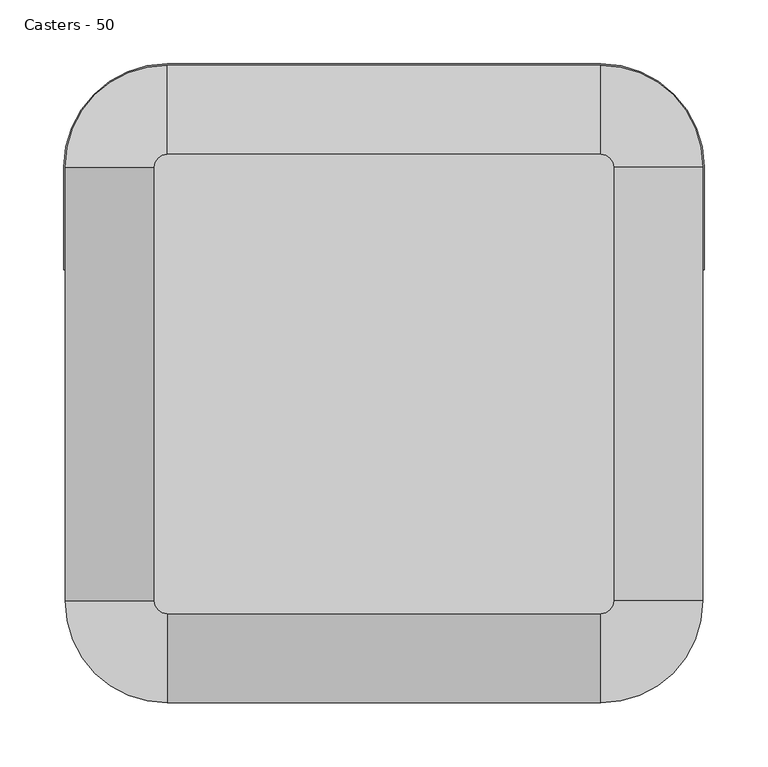
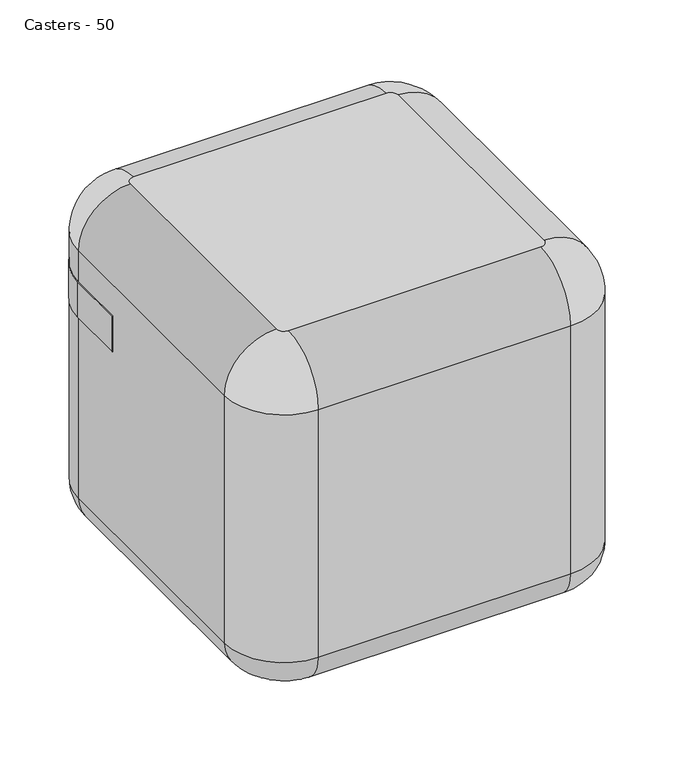
"""IFC4 building model written with IfcOpenShell, lengths in millimetres: furniture geometry, Casters - 50."""

from ifc_helpers import new_model, si_unit, point, frame, frame_2d, origin, place, context, project, spatial, polyline, circle_curve, ellipse_curve, trimmed, segment, composite_curve, outline, extrude, source, transform, mapped, element, save
from ifc_brep_helpers import plane_surface, cylinder_surface, revolved_surface, advanced_brep


def casters_50_73551831(model_context):
    return source(origin(), model_context, "Body", "SolidModel", [
        extrude(outline(composite_curve([segment(polyline([(0.0, -80.0), (0.0, -160.0)]), True, "CONTINUOUS"), segment(trimmed(circle_curve(frame_2d((-0.5, -160.0)), 0.5), [point((0.0, -160.0))], [point((-1.0, -160.0))], False, "CARTESIAN"), True, "CONTINUOUS"), segment(polyline([(-1.0, -160.0), (-1.0, -80.0)]), True, "CONTINUOUS"), segment(trimmed(circle_curve(frame_2d((80.0, -80.0)), 81.0), [point((-1.0, -80.0))], [point((80.0, 1.0))], False, "CARTESIAN"), True, "CONTINUOUS"), segment(polyline([(80.0, 1.0), (420.0, 1.0)]), True, "CONTINUOUS"), segment(trimmed(circle_curve(frame_2d((420.0, -80.0)), 81.0), [point((420.0, 1.0))], [point((501.0, -80.0))], False, "CARTESIAN"), True, "CONTINUOUS"), segment(polyline([(501.0, -80.0), (501.0, -160.0)]), True, "CONTINUOUS"), segment(trimmed(circle_curve(frame_2d((500.5, -160.0)), 0.5), [point((501.0, -160.0))], [point((500.0, -160.0))], False, "CARTESIAN"), True, "CONTINUOUS"), segment(polyline([(500.0, -160.0), (500.0, -80.0)]), True, "CONTINUOUS"), segment(trimmed(circle_curve(frame_2d((420.0, -80.0)), 80.0), [point((500.0, -80.0))], [point((420.0, 0.0))], True, "CARTESIAN"), True, "CONTINUOUS"), segment(polyline([(420.0, 0.0), (80.0, 0.0)]), True, "CONTINUOUS"), segment(trimmed(circle_curve(frame_2d((80.0, -80.0)), 80.0), [point((80.0, 0.0))], [point((0.0, -80.0))], True, "CARTESIAN"), True, "CONTINUOUS")], self_intersect=False)), frame((0.0, 0.0, 325.0), z_axis=(0.0, 0.0, 1.0), x_axis=(1.0, 0.0, 0.0)), (0.0, 0.0, 1.0), 50.0),
        advanced_brep(
        [(119.5, -401.0, 18.0), (136.5, -401.0, 18.0), (136.5, -390.0, 18.0), (137.5, -390.0, 18.0), (137.5, -406.0, 18.0), (150.5, -406.0, 18.0), (152.5, -404.0, 18.0), (152.5, -401.0, 18.0), (153.8533249, -396.0, 18.0), (153.8533249, -388.0, 18.0), (102.1466751, -388.0, 18.0), (102.1466751, -396.0, 18.0), (103.5, -401.0, 18.0), (103.5, -404.0, 18.0), (105.5, -406.0, 18.0), (118.5, -406.0, 18.0), (118.5, -390.0, 18.0), (119.5, -390.0, 18.0), (119.5, -375.0, 18.0), (119.5, -386.0, 18.0), (118.5, -386.0, 18.0), (118.5, -370.0, 18.0), (105.5, -370.0, 18.0), (103.5, -372.0, 18.0), (103.5, -375.0, 18.0), (102.1466751, -380.0, 18.0), (153.8533249, -380.0, 18.0), (152.5, -375.0, 18.0), (152.5, -372.0, 18.0), (150.5, -370.0, 18.0), (137.5, -370.0, 18.0), (137.5, -386.0, 18.0), (136.5, -386.0, 18.0), (136.5, -375.0, 18.0)],
        [
            (0, 1),
            (1, 2),
            (2, 3),
            (3, 4),
            (4, 5),
            (5, 6, circle_curve(frame((150.5, -404.0, 18.0), z_axis=(0.0, 0.0, 1.0), x_axis=(-1.0, 0.0, 0.0)), 2.0)),
            (6, 7),
            (7, 8),
            (8, 9),
            (9, 10),
            (10, 11),
            (11, 12),
            (12, 13),
            (13, 14, circle_curve(frame((105.5, -404.0, 18.0), z_axis=(0.0, 0.0, 1.0), x_axis=(-1.0, 0.0, 0.0)), 2.0)),
            (14, 15),
            (15, 16),
            (16, 17),
            (17, 0),
            (18, 19),
            (19, 20),
            (20, 21),
            (21, 22),
            (22, 23, circle_curve(frame((105.5, -372.0, 18.0), z_axis=(0.0, 0.0, 1.0), x_axis=(-1.0, 0.0, 0.0)), 2.0)),
            (23, 24),
            (24, 25),
            (25, 10),
            (9, 26),
            (26, 27),
            (27, 28),
            (28, 29, circle_curve(frame((150.5, -372.0, 18.0), z_axis=(0.0, 0.0, 1.0), x_axis=(-1.0, 0.0, 0.0)), 2.0)),
            (29, 30),
            (30, 31),
            (31, 32),
            (32, 33),
            (33, 18),
            (18, 0, circle_curve(frame((119.5, -388.0, 18.0), z_axis=(-1.0, 0.0, 0.0), x_axis=(0.0, -1.0, 0.0)), 13.0)),
            (17, 19, circle_curve(frame((119.5, -388.0, 18.0), z_axis=(1.0, 0.0, 0.0), x_axis=(0.0, -1.0, 0.0)), 2.0)),
            (16, 20, circle_curve(frame((118.5, -388.0, 18.0), z_axis=(1.0, 0.0, 0.0), x_axis=(0.0, -1.0, 0.0)), 2.0)),
            (15, 21, circle_curve(frame((118.5, -388.0, 18.0), z_axis=(1.0, 0.0, 0.0), x_axis=(0.0, -1.0, 0.0)), 18.0)),
            (14, 22, circle_curve(frame((105.5, -388.0, 18.0), z_axis=(1.0, 0.0, 0.0), x_axis=(0.0, -1.0, 0.0)), 18.0)),
            (13, 23, circle_curve(frame((103.5, -388.0, 18.0), z_axis=(1.0, 0.0, 0.0), x_axis=(0.0, -1.0, 0.0)), 16.0)),
            (12, 24, circle_curve(frame((103.5, -388.0, 18.0), z_axis=(1.0, 0.0, 0.0), x_axis=(0.0, -1.0, 0.0)), 13.0)),
            (11, 25, circle_curve(frame((102.1466751, -388.0, 18.0), z_axis=(1.0, 0.0, 0.0), x_axis=(0.0, -1.0, 0.0)), 8.0)),
            (8, 26, circle_curve(frame((153.8533249, -388.0, 18.0), z_axis=(1.0, 0.0, 0.0), x_axis=(0.0, -1.0, 0.0)), 8.0)),
            (7, 27, circle_curve(frame((152.5, -388.0, 18.0), z_axis=(1.0, 0.0, 0.0), x_axis=(0.0, -1.0, 0.0)), 13.0)),
            (6, 28, circle_curve(frame((152.5, -388.0, 18.0), z_axis=(1.0, 0.0, 0.0), x_axis=(0.0, -1.0, 0.0)), 16.0)),
            (5, 29, circle_curve(frame((150.5, -388.0, 18.0), z_axis=(1.0, 0.0, 0.0), x_axis=(0.0, -1.0, 0.0)), 18.0)),
            (4, 30, circle_curve(frame((137.5, -388.0, 18.0), z_axis=(1.0, 0.0, 0.0), x_axis=(0.0, -1.0, 0.0)), 18.0)),
            (3, 31, circle_curve(frame((137.5, -388.0, 18.0), z_axis=(1.0, 0.0, 0.0), x_axis=(0.0, -1.0, 0.0)), 2.0)),
            (2, 32, circle_curve(frame((136.5, -388.0, 18.0), z_axis=(1.0, 0.0, 0.0), x_axis=(0.0, -1.0, 0.0)), 2.0)),
            (1, 33, circle_curve(frame((136.5, -388.0, 18.0), z_axis=(1.0, 0.0, 0.0), x_axis=(0.0, -1.0, 0.0)), 13.0)),
        ],
        [
            plane_surface(frame((102.1466751, -388.0, 18.0), z_axis=(0.0, 0.0, 1.0), x_axis=(0.0, -1.0, 0.0))),
            plane_surface(frame((102.1466751, -388.0, 18.0), z_axis=(0.0, 0.0, 1.0), x_axis=(0.0, 1.0, 0.0))),
            plane_surface(frame((119.5, -388.0, 18.0), z_axis=(-1.0, 0.0, 0.0), x_axis=(0.0, -1.0, 0.0))),
            cylinder_surface(frame((102.1466751, -388.0, 18.0), z_axis=(-1.0, 0.0, 0.0), x_axis=(0.0, -1.0, 0.0)), 2.0),
            plane_surface(frame((118.5, -388.0, 18.0), z_axis=(1.0, 0.0, 0.0), x_axis=(0.0, -1.0, 0.0))),
            cylinder_surface(frame((102.1466751, -388.0, 18.0), z_axis=(-1.0, 0.0, 0.0), x_axis=(0.0, -1.0, 0.0)), 18.0),
            revolved_surface(trimmed(ellipse_curve(frame((105.5, -404.0, 18.0), z_axis=(0.0, 0.0, -1.0), x_axis=(-1.0, 0.0, 0.0)), 2.0, 2.0), [point((105.5, -406.0, 18.0))], [point((103.5, -404.0, 18.0))], True, "CARTESIAN"), (102.1466751, -388.0, 18.0), (-1.0, 0.0, 0.0)),
            plane_surface(frame((103.5, -388.0, 18.0), z_axis=(-1.0, 0.0, 0.0), x_axis=(0.0, -1.0, 0.0))),
            revolved_surface(polyline([(103.5, -401.0, 18.0), (102.1466751, -396.0, 18.0)]), (102.1466751, -388.0, 18.0), (-1.0, 0.0, 0.0)),
            plane_surface(frame((102.1466751, -388.0, 18.0), z_axis=(-1.0, 0.0, 0.0), x_axis=(0.0, -1.0, 0.0))),
            plane_surface(frame((153.8533249, -388.0, 18.0), z_axis=(1.0, 0.0, 0.0), x_axis=(0.0, -1.0, 0.0))),
            revolved_surface(polyline([(153.8533249, -396.0, 18.0), (152.5, -401.0, 18.0)]), (102.1466751, -388.0, 18.0), (-1.0, 0.0, 0.0)),
            plane_surface(frame((152.5, -388.0, 18.0), z_axis=(1.0, 0.0, 0.0), x_axis=(0.0, -1.0, 0.0))),
            revolved_surface(trimmed(ellipse_curve(frame((150.5, -404.0, 18.0), z_axis=(0.0, 0.0, -1.0), x_axis=(-1.0, 0.0, 0.0)), 2.0, 2.0), [point((152.5, -404.0, 18.0))], [point((150.5, -406.0, 18.0))], True, "CARTESIAN"), (102.1466751, -388.0, 18.0), (-1.0, 0.0, 0.0)),
            plane_surface(frame((137.5, -388.0, 18.0), z_axis=(-1.0, 0.0, 0.0), x_axis=(0.0, -1.0, 0.0))),
            plane_surface(frame((136.5, -388.0, 18.0), z_axis=(1.0, 0.0, 0.0), x_axis=(0.0, -1.0, 0.0))),
            cylinder_surface(frame((102.1466751, -388.0, 18.0), z_axis=(-1.0, 0.0, 0.0), x_axis=(0.0, -1.0, 0.0)), 13.0),
        ],
        [
            (0, [[1, 2, 3, 4, 5, 6, 7, 8, 9, 10, 11, 12, 13, 14, 15, 16, 17, 18]]),
            (1, [[19, 20, 21, 22, 23, 24, 25, 26, -10, 27, 28, 29, 30, 31, 32, 33, 34, 35]]),
            (2, [[-19, 36, -18, 37]]),
            (3, [[-20, -37, -17, 38]]),
            (4, [[-21, -38, -16, 39]]),
            (5, [[-22, -39, -15, 40]]),
            (6, [[-23, -40, -14, 41]]),
            (7, [[-24, -41, -13, 42]]),
            (8, [[-25, -42, -12, 43]]),
            (9, [[-26, -43, -11]]),
            (10, [[-27, -9, 44]]),
            (11, [[-28, -44, -8, 45]]),
            (12, [[-29, -45, -7, 46]]),
            (13, [[-30, -46, -6, 47]]),
            (5, [[-31, -47, -5, 48]]),
            (14, [[-32, -48, -4, 49]]),
            (3, [[-33, -49, -3, 50]]),
            (15, [[-34, -50, -2, 51]]),
            (16, [[-35, -51, -1, -36]]),
        ],
    ),
        advanced_brep(
        [(363.5, -401.0, 18.0), (380.5, -401.0, 18.0), (380.5, -390.0, 18.0), (381.5, -390.0, 18.0), (381.5, -406.0, 18.0), (394.5, -406.0, 18.0), (396.5, -404.0, 18.0), (396.5, -401.0, 18.0), (397.8533249, -396.0, 18.0), (397.8533249, -388.0, 18.0), (346.1466751, -388.0, 18.0), (346.1466751, -396.0, 18.0), (347.5, -401.0, 18.0), (347.5, -404.0, 18.0), (349.5, -406.0, 18.0), (362.5, -406.0, 18.0), (362.5, -390.0, 18.0), (363.5, -390.0, 18.0), (363.5, -375.0, 18.0), (363.5, -386.0, 18.0), (362.5, -386.0, 18.0), (362.5, -370.0, 18.0), (349.5, -370.0, 18.0), (347.5, -372.0, 18.0), (347.5, -375.0, 18.0), (346.1466751, -380.0, 18.0), (397.8533249, -380.0, 18.0), (396.5, -375.0, 18.0), (396.5, -372.0, 18.0), (394.5, -370.0, 18.0), (381.5, -370.0, 18.0), (381.5, -386.0, 18.0), (380.5, -386.0, 18.0), (380.5, -375.0, 18.0)],
        [
            (0, 1),
            (1, 2),
            (2, 3),
            (3, 4),
            (4, 5),
            (5, 6, circle_curve(frame((394.5, -404.0, 18.0), z_axis=(0.0, 0.0, 1.0), x_axis=(-1.0, 0.0, 0.0)), 2.0)),
            (6, 7),
            (7, 8),
            (8, 9),
            (9, 10),
            (10, 11),
            (11, 12),
            (12, 13),
            (13, 14, circle_curve(frame((349.5, -404.0, 18.0), z_axis=(0.0, 0.0, 1.0), x_axis=(-1.0, 0.0, 0.0)), 2.0)),
            (14, 15),
            (15, 16),
            (16, 17),
            (17, 0),
            (18, 19),
            (19, 20),
            (20, 21),
            (21, 22),
            (22, 23, circle_curve(frame((349.5, -372.0, 18.0), z_axis=(0.0, 0.0, 1.0), x_axis=(-1.0, 0.0, 0.0)), 2.0)),
            (23, 24),
            (24, 25),
            (25, 10),
            (9, 26),
            (26, 27),
            (27, 28),
            (28, 29, circle_curve(frame((394.5, -372.0, 18.0), z_axis=(0.0, 0.0, 1.0), x_axis=(-1.0, 0.0, 0.0)), 2.0)),
            (29, 30),
            (30, 31),
            (31, 32),
            (32, 33),
            (33, 18),
            (18, 0, circle_curve(frame((363.5, -388.0, 18.0), z_axis=(-1.0, 0.0, 0.0), x_axis=(0.0, -1.0, 0.0)), 13.0)),
            (17, 19, circle_curve(frame((363.5, -388.0, 18.0), z_axis=(1.0, 0.0, 0.0), x_axis=(0.0, -1.0, 0.0)), 2.0)),
            (16, 20, circle_curve(frame((362.5, -388.0, 18.0), z_axis=(1.0, 0.0, 0.0), x_axis=(0.0, -1.0, 0.0)), 2.0)),
            (15, 21, circle_curve(frame((362.5, -388.0, 18.0), z_axis=(1.0, 0.0, 0.0), x_axis=(0.0, -1.0, 0.0)), 18.0)),
            (14, 22, circle_curve(frame((349.5, -388.0, 18.0), z_axis=(1.0, 0.0, 0.0), x_axis=(0.0, -1.0, 0.0)), 18.0)),
            (13, 23, circle_curve(frame((347.5, -388.0, 18.0), z_axis=(1.0, 0.0, 0.0), x_axis=(0.0, -1.0, 0.0)), 16.0)),
            (12, 24, circle_curve(frame((347.5, -388.0, 18.0), z_axis=(1.0, 0.0, 0.0), x_axis=(0.0, -1.0, 0.0)), 13.0)),
            (11, 25, circle_curve(frame((346.1466751, -388.0, 18.0), z_axis=(1.0, 0.0, 0.0), x_axis=(0.0, -1.0, 0.0)), 8.0)),
            (8, 26, circle_curve(frame((397.8533249, -388.0, 18.0), z_axis=(1.0, 0.0, 0.0), x_axis=(0.0, -1.0, 0.0)), 8.0)),
            (7, 27, circle_curve(frame((396.5, -388.0, 18.0), z_axis=(1.0, 0.0, 0.0), x_axis=(0.0, -1.0, 0.0)), 13.0)),
            (6, 28, circle_curve(frame((396.5, -388.0, 18.0), z_axis=(1.0, 0.0, 0.0), x_axis=(0.0, -1.0, 0.0)), 16.0)),
            (5, 29, circle_curve(frame((394.5, -388.0, 18.0), z_axis=(1.0, 0.0, 0.0), x_axis=(0.0, -1.0, 0.0)), 18.0)),
            (4, 30, circle_curve(frame((381.5, -388.0, 18.0), z_axis=(1.0, 0.0, 0.0), x_axis=(0.0, -1.0, 0.0)), 18.0)),
            (3, 31, circle_curve(frame((381.5, -388.0, 18.0), z_axis=(1.0, 0.0, 0.0), x_axis=(0.0, -1.0, 0.0)), 2.0)),
            (2, 32, circle_curve(frame((380.5, -388.0, 18.0), z_axis=(1.0, 0.0, 0.0), x_axis=(0.0, -1.0, 0.0)), 2.0)),
            (1, 33, circle_curve(frame((380.5, -388.0, 18.0), z_axis=(1.0, 0.0, 0.0), x_axis=(0.0, -1.0, 0.0)), 13.0)),
        ],
        [
            plane_surface(frame((102.1466751, -388.0, 18.0), z_axis=(0.0, 0.0, 1.0), x_axis=(0.0, -1.0, 0.0))),
            plane_surface(frame((102.1466751, -388.0, 18.0), z_axis=(0.0, 0.0, 1.0), x_axis=(0.0, 1.0, 0.0))),
            plane_surface(frame((363.5, -388.0, 18.0), z_axis=(-1.0, 0.0, 0.0), x_axis=(0.0, -1.0, 0.0))),
            cylinder_surface(frame((102.1466751, -388.0, 18.0), z_axis=(-1.0, 0.0, 0.0), x_axis=(0.0, -1.0, 0.0)), 2.0),
            plane_surface(frame((362.5, -388.0, 18.0), z_axis=(1.0, 0.0, 0.0), x_axis=(0.0, -1.0, 0.0))),
            cylinder_surface(frame((102.1466751, -388.0, 18.0), z_axis=(-1.0, 0.0, 0.0), x_axis=(0.0, -1.0, 0.0)), 18.0),
            revolved_surface(trimmed(ellipse_curve(frame((349.5, -404.0, 18.0), z_axis=(0.0, 0.0, -1.0), x_axis=(-1.0, 0.0, 0.0)), 2.0, 2.0), [point((349.5, -406.0, 18.0))], [point((347.5, -404.0, 18.0))], True, "CARTESIAN"), (102.1466751, -388.0, 18.0), (-1.0, 0.0, 0.0)),
            plane_surface(frame((347.5, -388.0, 18.0), z_axis=(-1.0, 0.0, 0.0), x_axis=(0.0, -1.0, 0.0))),
            revolved_surface(polyline([(347.5, -401.0, 18.0), (346.1466751, -396.0, 18.0)]), (102.1466751, -388.0, 18.0), (-1.0, 0.0, 0.0)),
            plane_surface(frame((346.1466751, -388.0, 18.0), z_axis=(-1.0, 0.0, 0.0), x_axis=(0.0, -1.0, 0.0))),
            plane_surface(frame((397.8533249, -388.0, 18.0), z_axis=(1.0, 0.0, 0.0), x_axis=(0.0, -1.0, 0.0))),
            revolved_surface(polyline([(397.8533249, -396.0, 18.0), (396.5, -401.0, 18.0)]), (102.1466751, -388.0, 18.0), (-1.0, 0.0, 0.0)),
            plane_surface(frame((396.5, -388.0, 18.0), z_axis=(1.0, 0.0, 0.0), x_axis=(0.0, -1.0, 0.0))),
            revolved_surface(trimmed(ellipse_curve(frame((394.5, -404.0, 18.0), z_axis=(0.0, 0.0, -1.0), x_axis=(-1.0, 0.0, 0.0)), 2.0, 2.0), [point((396.5, -404.0, 18.0))], [point((394.5, -406.0, 18.0))], True, "CARTESIAN"), (102.1466751, -388.0, 18.0), (-1.0, 0.0, 0.0)),
            plane_surface(frame((381.5, -388.0, 18.0), z_axis=(-1.0, 0.0, 0.0), x_axis=(0.0, -1.0, 0.0))),
            plane_surface(frame((380.5, -388.0, 18.0), z_axis=(1.0, 0.0, 0.0), x_axis=(0.0, -1.0, 0.0))),
            cylinder_surface(frame((102.1466751, -388.0, 18.0), z_axis=(-1.0, 0.0, 0.0), x_axis=(0.0, -1.0, 0.0)), 13.0),
        ],
        [
            (0, [[1, 2, 3, 4, 5, 6, 7, 8, 9, 10, 11, 12, 13, 14, 15, 16, 17, 18]]),
            (1, [[19, 20, 21, 22, 23, 24, 25, 26, -10, 27, 28, 29, 30, 31, 32, 33, 34, 35]]),
            (2, [[-19, 36, -18, 37]]),
            (3, [[-20, -37, -17, 38]]),
            (4, [[-21, -38, -16, 39]]),
            (5, [[-22, -39, -15, 40]]),
            (6, [[-23, -40, -14, 41]]),
            (7, [[-24, -41, -13, 42]]),
            (8, [[-25, -42, -12, 43]]),
            (9, [[-26, -43, -11]]),
            (10, [[-27, -9, 44]]),
            (11, [[-28, -44, -8, 45]]),
            (12, [[-29, -45, -7, 46]]),
            (13, [[-30, -46, -6, 47]]),
            (5, [[-31, -47, -5, 48]]),
            (14, [[-32, -48, -4, 49]]),
            (3, [[-33, -49, -3, 50]]),
            (15, [[-34, -50, -2, 51]]),
            (16, [[-35, -51, -1, -36]]),
        ],
    ),
        advanced_brep(
        [(119.5, -99.0, 18.0), (119.5, -110.0, 18.0), (118.5, -110.0, 18.0), (118.5, -94.0, 18.0), (105.5, -94.0, 18.0), (103.5, -96.0, 18.0), (103.5, -99.0, 18.0), (102.1466751, -104.0, 18.0), (102.1466751, -112.0, 18.0), (153.8533249, -112.0, 18.0), (153.8533249, -104.0, 18.0), (152.5, -99.0, 18.0), (152.5, -96.0, 18.0), (150.5, -94.0, 18.0), (137.5, -94.0, 18.0), (137.5, -110.0, 18.0), (136.5, -110.0, 18.0), (136.5, -99.0, 18.0), (119.5, -125.0, 18.0), (136.5, -125.0, 18.0), (136.5, -114.0, 18.0), (137.5, -114.0, 18.0), (137.5, -130.0, 18.0), (150.5, -130.0, 18.0), (152.5, -128.0, 18.0), (152.5, -125.0, 18.0), (153.8533249, -120.0, 18.0), (102.1466751, -120.0, 18.0), (103.5, -125.0, 18.0), (103.5, -128.0, 18.0), (105.5, -130.0, 18.0), (118.5, -130.0, 18.0), (118.5, -114.0, 18.0), (119.5, -114.0, 18.0)],
        [
            (0, 1),
            (1, 2),
            (2, 3),
            (3, 4),
            (4, 5, circle_curve(frame((105.5, -96.0, 18.0), z_axis=(0.0, 0.0, 1.0), x_axis=(-1.0, 0.0, 0.0)), 2.0)),
            (5, 6),
            (6, 7),
            (7, 8),
            (8, 9),
            (9, 10),
            (10, 11),
            (11, 12),
            (12, 13, circle_curve(frame((150.5, -96.0, 18.0), z_axis=(0.0, 0.0, 1.0), x_axis=(-1.0, 0.0, 0.0)), 2.0)),
            (13, 14),
            (14, 15),
            (15, 16),
            (16, 17),
            (17, 0),
            (18, 19),
            (19, 20),
            (20, 21),
            (21, 22),
            (22, 23),
            (23, 24, circle_curve(frame((150.5, -128.0, 18.0), z_axis=(0.0, 0.0, 1.0), x_axis=(-1.0, 0.0, 0.0)), 2.0)),
            (24, 25),
            (25, 26),
            (26, 9),
            (8, 27),
            (27, 28),
            (28, 29),
            (29, 30, circle_curve(frame((105.5, -128.0, 18.0), z_axis=(0.0, 0.0, 1.0), x_axis=(-1.0, 0.0, 0.0)), 2.0)),
            (30, 31),
            (31, 32),
            (32, 33),
            (33, 18),
            (33, 1, circle_curve(frame((119.5, -112.0, 18.0), z_axis=(1.0, 0.0, 0.0), x_axis=(0.0, 1.0, 0.0)), 2.0)),
            (0, 18, circle_curve(frame((119.5, -112.0, 18.0), z_axis=(-1.0, 0.0, 0.0), x_axis=(0.0, 1.0, 0.0)), 13.0)),
            (32, 2, circle_curve(frame((118.5, -112.0, 18.0), z_axis=(1.0, 0.0, 0.0), x_axis=(0.0, 1.0, 0.0)), 2.0)),
            (31, 3, circle_curve(frame((118.5, -112.0, 18.0), z_axis=(1.0, 0.0, 0.0), x_axis=(0.0, 1.0, 0.0)), 18.0)),
            (30, 4, circle_curve(frame((105.5, -112.0, 18.0), z_axis=(1.0, 0.0, 0.0), x_axis=(0.0, 1.0, 0.0)), 18.0)),
            (29, 5, circle_curve(frame((103.5, -112.0, 18.0), z_axis=(1.0, 0.0, 0.0), x_axis=(0.0, 1.0, 0.0)), 16.0)),
            (28, 6, circle_curve(frame((103.5, -112.0, 18.0), z_axis=(1.0, 0.0, 0.0), x_axis=(0.0, 1.0, 0.0)), 13.0)),
            (27, 7, circle_curve(frame((102.1466751, -112.0, 18.0), z_axis=(1.0, 0.0, 0.0), x_axis=(0.0, 1.0, 0.0)), 8.0)),
            (26, 10, circle_curve(frame((153.8533249, -112.0, 18.0), z_axis=(1.0, 0.0, 0.0), x_axis=(0.0, 1.0, 0.0)), 8.0)),
            (25, 11, circle_curve(frame((152.5, -112.0, 18.0), z_axis=(1.0, 0.0, 0.0), x_axis=(0.0, 1.0, 0.0)), 13.0)),
            (24, 12, circle_curve(frame((152.5, -112.0, 18.0), z_axis=(1.0, 0.0, 0.0), x_axis=(0.0, 1.0, 0.0)), 16.0)),
            (23, 13, circle_curve(frame((150.5, -112.0, 18.0), z_axis=(1.0, 0.0, 0.0), x_axis=(0.0, 1.0, 0.0)), 18.0)),
            (22, 14, circle_curve(frame((137.5, -112.0, 18.0), z_axis=(1.0, 0.0, 0.0), x_axis=(0.0, 1.0, 0.0)), 18.0)),
            (21, 15, circle_curve(frame((137.5, -112.0, 18.0), z_axis=(1.0, 0.0, 0.0), x_axis=(0.0, 1.0, 0.0)), 2.0)),
            (20, 16, circle_curve(frame((136.5, -112.0, 18.0), z_axis=(1.0, 0.0, 0.0), x_axis=(0.0, 1.0, 0.0)), 2.0)),
            (19, 17, circle_curve(frame((136.5, -112.0, 18.0), z_axis=(1.0, 0.0, 0.0), x_axis=(0.0, 1.0, 0.0)), 13.0)),
        ],
        [
            plane_surface(frame((102.1466751, -112.0, 18.0), z_axis=(0.0, 0.0, 1.0), x_axis=(0.0, 1.0, 0.0))),
            plane_surface(frame((102.1466751, -112.0, 18.0), z_axis=(0.0, 0.0, 1.0), x_axis=(0.0, -1.0, 0.0))),
            plane_surface(frame((119.5, -112.0, 18.0), z_axis=(-1.0, 0.0, 0.0), x_axis=(0.0, 1.0, 0.0))),
            cylinder_surface(frame((102.1466751, -112.0, 18.0), z_axis=(1.0, 0.0, 0.0), x_axis=(0.0, 1.0, 0.0)), 2.0),
            plane_surface(frame((118.5, -112.0, 18.0), z_axis=(1.0, 0.0, 0.0), x_axis=(0.0, 1.0, 0.0))),
            cylinder_surface(frame((102.1466751, -112.0, 18.0), z_axis=(1.0, 0.0, 0.0), x_axis=(0.0, 1.0, 0.0)), 18.0),
            revolved_surface(trimmed(ellipse_curve(frame((105.5, -96.0, 18.0), z_axis=(0.0, 0.0, -1.0), x_axis=(-1.0, 0.0, 0.0)), 2.0, 2.0), [point((103.5, -96.0, 18.0))], [point((105.5, -94.0, 18.0))], True, "CARTESIAN"), (102.1466751, -112.0, 18.0), (1.0, 0.0, 0.0)),
            plane_surface(frame((103.5, -112.0, 18.0), z_axis=(-1.0, 0.0, 0.0), x_axis=(0.0, 1.0, 0.0))),
            revolved_surface(polyline([(102.1466751, -104.0, 18.0), (103.5, -99.0, 18.0)]), (102.1466751, -112.0, 18.0), (1.0, 0.0, 0.0)),
            plane_surface(frame((102.1466751, -112.0, 18.0), z_axis=(-1.0, 0.0, 0.0), x_axis=(0.0, 1.0, 0.0))),
            plane_surface(frame((153.8533249, -112.0, 18.0), z_axis=(1.0, 0.0, 0.0), x_axis=(0.0, 1.0, 0.0))),
            revolved_surface(polyline([(152.5, -99.0, 18.0), (153.8533249, -104.0, 18.0)]), (102.1466751, -112.0, 18.0), (1.0, 0.0, 0.0)),
            plane_surface(frame((152.5, -112.0, 18.0), z_axis=(1.0, 0.0, 0.0), x_axis=(0.0, 1.0, 0.0))),
            revolved_surface(trimmed(ellipse_curve(frame((150.5, -96.0, 18.0), z_axis=(0.0, 0.0, -1.0), x_axis=(-1.0, 0.0, 0.0)), 2.0, 2.0), [point((150.5, -94.0, 18.0))], [point((152.5, -96.0, 18.0))], True, "CARTESIAN"), (102.1466751, -112.0, 18.0), (1.0, 0.0, 0.0)),
            plane_surface(frame((137.5, -112.0, 18.0), z_axis=(-1.0, 0.0, 0.0), x_axis=(0.0, 1.0, 0.0))),
            plane_surface(frame((136.5, -112.0, 18.0), z_axis=(1.0, 0.0, 0.0), x_axis=(0.0, 1.0, 0.0))),
            cylinder_surface(frame((102.1466751, -112.0, 18.0), z_axis=(1.0, 0.0, 0.0), x_axis=(0.0, 1.0, 0.0)), 13.0),
        ],
        [
            (0, [[1, 2, 3, 4, 5, 6, 7, 8, 9, 10, 11, 12, 13, 14, 15, 16, 17, 18]]),
            (1, [[19, 20, 21, 22, 23, 24, 25, 26, 27, -9, 28, 29, 30, 31, 32, 33, 34, 35]]),
            (2, [[-35, 36, -1, 37]]),
            (3, [[-34, 38, -2, -36]]),
            (4, [[-33, 39, -3, -38]]),
            (5, [[-32, 40, -4, -39]]),
            (6, [[-31, 41, -5, -40]]),
            (7, [[-30, 42, -6, -41]]),
            (8, [[-29, 43, -7, -42]]),
            (9, [[-28, -8, -43]]),
            (10, [[-27, 44, -10]]),
            (11, [[-26, 45, -11, -44]]),
            (12, [[-25, 46, -12, -45]]),
            (13, [[-24, 47, -13, -46]]),
            (5, [[-23, 48, -14, -47]]),
            (14, [[-22, 49, -15, -48]]),
            (3, [[-21, 50, -16, -49]]),
            (15, [[-20, 51, -17, -50]]),
            (16, [[-19, -37, -18, -51]]),
        ],
    ),
        advanced_brep(
        [(363.5, -99.0, 18.0), (363.5, -110.0, 18.0), (362.5, -110.0, 18.0), (362.5, -94.0, 18.0), (349.5, -94.0, 18.0), (347.5, -96.0, 18.0), (347.5, -99.0, 18.0), (346.1466751, -104.0, 18.0), (346.1466751, -112.0, 18.0), (397.8533249, -112.0, 18.0), (397.8533249, -104.0, 18.0), (396.5, -99.0, 18.0), (396.5, -96.0, 18.0), (394.5, -94.0, 18.0), (381.5, -94.0, 18.0), (381.5, -110.0, 18.0), (380.5, -110.0, 18.0), (380.5, -99.0, 18.0), (363.5, -125.0, 18.0), (380.5, -125.0, 18.0), (380.5, -114.0, 18.0), (381.5, -114.0, 18.0), (381.5, -130.0, 18.0), (394.5, -130.0, 18.0), (396.5, -128.0, 18.0), (396.5, -125.0, 18.0), (397.8533249, -120.0, 18.0), (346.1466751, -120.0, 18.0), (347.5, -125.0, 18.0), (347.5, -128.0, 18.0), (349.5, -130.0, 18.0), (362.5, -130.0, 18.0), (362.5, -114.0, 18.0), (363.5, -114.0, 18.0)],
        [
            (0, 1),
            (1, 2),
            (2, 3),
            (3, 4),
            (4, 5, circle_curve(frame((349.5, -96.0, 18.0), z_axis=(0.0, 0.0, 1.0), x_axis=(-1.0, 0.0, 0.0)), 2.0)),
            (5, 6),
            (6, 7),
            (7, 8),
            (8, 9),
            (9, 10),
            (10, 11),
            (11, 12),
            (12, 13, circle_curve(frame((394.5, -96.0, 18.0), z_axis=(0.0, 0.0, 1.0), x_axis=(-1.0, 0.0, 0.0)), 2.0)),
            (13, 14),
            (14, 15),
            (15, 16),
            (16, 17),
            (17, 0),
            (18, 19),
            (19, 20),
            (20, 21),
            (21, 22),
            (22, 23),
            (23, 24, circle_curve(frame((394.5, -128.0, 18.0), z_axis=(0.0, 0.0, 1.0), x_axis=(-1.0, 0.0, 0.0)), 2.0)),
            (24, 25),
            (25, 26),
            (26, 9),
            (8, 27),
            (27, 28),
            (28, 29),
            (29, 30, circle_curve(frame((349.5, -128.0, 18.0), z_axis=(0.0, 0.0, 1.0), x_axis=(-1.0, 0.0, 0.0)), 2.0)),
            (30, 31),
            (31, 32),
            (32, 33),
            (33, 18),
            (33, 1, circle_curve(frame((363.5, -112.0, 18.0), z_axis=(1.0, 0.0, 0.0), x_axis=(0.0, 1.0, 0.0)), 2.0)),
            (0, 18, circle_curve(frame((363.5, -112.0, 18.0), z_axis=(-1.0, 0.0, 0.0), x_axis=(0.0, 1.0, 0.0)), 13.0)),
            (32, 2, circle_curve(frame((362.5, -112.0, 18.0), z_axis=(1.0, 0.0, 0.0), x_axis=(0.0, 1.0, 0.0)), 2.0)),
            (31, 3, circle_curve(frame((362.5, -112.0, 18.0), z_axis=(1.0, 0.0, 0.0), x_axis=(0.0, 1.0, 0.0)), 18.0)),
            (30, 4, circle_curve(frame((349.5, -112.0, 18.0), z_axis=(1.0, 0.0, 0.0), x_axis=(0.0, 1.0, 0.0)), 18.0)),
            (29, 5, circle_curve(frame((347.5, -112.0, 18.0), z_axis=(1.0, 0.0, 0.0), x_axis=(0.0, 1.0, 0.0)), 16.0)),
            (28, 6, circle_curve(frame((347.5, -112.0, 18.0), z_axis=(1.0, 0.0, 0.0), x_axis=(0.0, 1.0, 0.0)), 13.0)),
            (27, 7, circle_curve(frame((346.1466751, -112.0, 18.0), z_axis=(1.0, 0.0, 0.0), x_axis=(0.0, 1.0, 0.0)), 8.0)),
            (26, 10, circle_curve(frame((397.8533249, -112.0, 18.0), z_axis=(1.0, 0.0, 0.0), x_axis=(0.0, 1.0, 0.0)), 8.0)),
            (25, 11, circle_curve(frame((396.5, -112.0, 18.0), z_axis=(1.0, 0.0, 0.0), x_axis=(0.0, 1.0, 0.0)), 13.0)),
            (24, 12, circle_curve(frame((396.5, -112.0, 18.0), z_axis=(1.0, 0.0, 0.0), x_axis=(0.0, 1.0, 0.0)), 16.0)),
            (23, 13, circle_curve(frame((394.5, -112.0, 18.0), z_axis=(1.0, 0.0, 0.0), x_axis=(0.0, 1.0, 0.0)), 18.0)),
            (22, 14, circle_curve(frame((381.5, -112.0, 18.0), z_axis=(1.0, 0.0, 0.0), x_axis=(0.0, 1.0, 0.0)), 18.0)),
            (21, 15, circle_curve(frame((381.5, -112.0, 18.0), z_axis=(1.0, 0.0, 0.0), x_axis=(0.0, 1.0, 0.0)), 2.0)),
            (20, 16, circle_curve(frame((380.5, -112.0, 18.0), z_axis=(1.0, 0.0, 0.0), x_axis=(0.0, 1.0, 0.0)), 2.0)),
            (19, 17, circle_curve(frame((380.5, -112.0, 18.0), z_axis=(1.0, 0.0, 0.0), x_axis=(0.0, 1.0, 0.0)), 13.0)),
        ],
        [
            plane_surface(frame((102.1466751, -112.0, 18.0), z_axis=(0.0, 0.0, 1.0), x_axis=(0.0, 1.0, 0.0))),
            plane_surface(frame((102.1466751, -112.0, 18.0), z_axis=(0.0, 0.0, 1.0), x_axis=(0.0, -1.0, 0.0))),
            plane_surface(frame((363.5, -112.0, 18.0), z_axis=(-1.0, 0.0, 0.0), x_axis=(0.0, 1.0, 0.0))),
            cylinder_surface(frame((102.1466751, -112.0, 18.0), z_axis=(1.0, 0.0, 0.0), x_axis=(0.0, 1.0, 0.0)), 2.0),
            plane_surface(frame((362.5, -112.0, 18.0), z_axis=(1.0, 0.0, 0.0), x_axis=(0.0, 1.0, 0.0))),
            cylinder_surface(frame((102.1466751, -112.0, 18.0), z_axis=(1.0, 0.0, 0.0), x_axis=(0.0, 1.0, 0.0)), 18.0),
            revolved_surface(trimmed(ellipse_curve(frame((349.5, -96.0, 18.0), z_axis=(0.0, 0.0, -1.0), x_axis=(-1.0, 0.0, 0.0)), 2.0, 2.0), [point((347.5, -96.0, 18.0))], [point((349.5, -94.0, 18.0))], True, "CARTESIAN"), (102.1466751, -112.0, 18.0), (1.0, 0.0, 0.0)),
            plane_surface(frame((347.5, -112.0, 18.0), z_axis=(-1.0, 0.0, 0.0), x_axis=(0.0, 1.0, 0.0))),
            revolved_surface(polyline([(346.1466751, -104.0, 18.0), (347.5, -99.0, 18.0)]), (102.1466751, -112.0, 18.0), (1.0, 0.0, 0.0)),
            plane_surface(frame((346.1466751, -112.0, 18.0), z_axis=(-1.0, 0.0, 0.0), x_axis=(0.0, 1.0, 0.0))),
            plane_surface(frame((397.8533249, -112.0, 18.0), z_axis=(1.0, 0.0, 0.0), x_axis=(0.0, 1.0, 0.0))),
            revolved_surface(polyline([(396.5, -99.0, 18.0), (397.8533249, -104.0, 18.0)]), (102.1466751, -112.0, 18.0), (1.0, 0.0, 0.0)),
            plane_surface(frame((396.5, -112.0, 18.0), z_axis=(1.0, 0.0, 0.0), x_axis=(0.0, 1.0, 0.0))),
            revolved_surface(trimmed(ellipse_curve(frame((394.5, -96.0, 18.0), z_axis=(0.0, 0.0, -1.0), x_axis=(-1.0, 0.0, 0.0)), 2.0, 2.0), [point((394.5, -94.0, 18.0))], [point((396.5, -96.0, 18.0))], True, "CARTESIAN"), (102.1466751, -112.0, 18.0), (1.0, 0.0, 0.0)),
            plane_surface(frame((381.5, -112.0, 18.0), z_axis=(-1.0, 0.0, 0.0), x_axis=(0.0, 1.0, 0.0))),
            plane_surface(frame((380.5, -112.0, 18.0), z_axis=(1.0, 0.0, 0.0), x_axis=(0.0, 1.0, 0.0))),
            cylinder_surface(frame((102.1466751, -112.0, 18.0), z_axis=(1.0, 0.0, 0.0), x_axis=(0.0, 1.0, 0.0)), 13.0),
        ],
        [
            (0, [[1, 2, 3, 4, 5, 6, 7, 8, 9, 10, 11, 12, 13, 14, 15, 16, 17, 18]]),
            (1, [[19, 20, 21, 22, 23, 24, 25, 26, 27, -9, 28, 29, 30, 31, 32, 33, 34, 35]]),
            (2, [[-35, 36, -1, 37]]),
            (3, [[-34, 38, -2, -36]]),
            (4, [[-33, 39, -3, -38]]),
            (5, [[-32, 40, -4, -39]]),
            (6, [[-31, 41, -5, -40]]),
            (7, [[-30, 42, -6, -41]]),
            (8, [[-29, 43, -7, -42]]),
            (9, [[-28, -8, -43]]),
            (10, [[-27, 44, -10]]),
            (11, [[-26, 45, -11, -44]]),
            (12, [[-25, 46, -12, -45]]),
            (13, [[-24, 47, -13, -46]]),
            (5, [[-23, 48, -14, -47]]),
            (14, [[-22, 49, -15, -48]]),
            (3, [[-21, 50, -16, -49]]),
            (15, [[-20, 51, -17, -50]]),
            (16, [[-19, -37, -18, -51]]),
        ],
    ),
        advanced_brep(
        [(430.0, -420.0, 490.0), (430.0, -80.0, 490.0), (420.0, -70.0, 490.0), (80.0, -70.0, 490.0), (70.0, -80.0, 490.0), (70.0, -420.0, 490.0), (80.0, -430.0, 490.0), (420.0, -430.0, 490.0), (420.0, -450.0, 18.0), (80.0, -450.0, 18.0), (50.0, -420.0, 18.0), (50.0, -80.0, 18.0), (80.0, -50.0, 18.0), (420.0, -50.0, 18.0), (450.0, -80.0, 18.0), (450.0, -420.0, 18.0), (500.0, -420.0, 420.0), (420.0, -500.0, 420.0), (420.0, -500.0, 68.0), (500.0, -420.0, 68.0), (500.0, -80.0, 420.0), (500.0, -80.0, 68.0), (420.0, 0.0, 420.0), (420.0, 0.0, 68.0), (80.0, 0.0, 420.0), (80.0, 0.0, 68.0), (0.0, -80.0, 420.0), (0.0, -80.0, 68.0), (0.0, -420.0, 420.0), (0.0, -420.0, 68.0), (80.0, -500.0, 420.0), (80.0, -500.0, 68.0)],
        [
            (0, 1),
            (1, 2, circle_curve(frame((420.0, -80.0, 490.0), z_axis=(0.0, 0.0, 1.0), x_axis=(1.0, 0.0, 0.0)), 10.0)),
            (2, 3),
            (3, 4, circle_curve(frame((80.0, -80.0, 490.0), z_axis=(0.0, 0.0, 1.0), x_axis=(0.0, 1.0, 0.0)), 10.0)),
            (4, 5),
            (5, 6, circle_curve(frame((80.0, -420.0, 490.0), z_axis=(0.0, 0.0, 1.0), x_axis=(-1.0, 0.0, 0.0)), 10.0)),
            (6, 7),
            (7, 0, circle_curve(frame((420.0, -420.0, 490.0), z_axis=(0.0, 0.0, 1.0), x_axis=(0.0, -1.0, 0.0)), 10.0)),
            (8, 9),
            (9, 10, circle_curve(frame((80.0, -420.0, 18.0), z_axis=(0.0, 0.0, -1.0), x_axis=(-1.0, 0.0, 0.0)), 30.0)),
            (10, 11),
            (11, 12, circle_curve(frame((80.0, -80.0, 18.0), z_axis=(0.0, 0.0, -1.0), x_axis=(0.0, 1.0, 0.0)), 30.0)),
            (12, 13),
            (13, 14, circle_curve(frame((420.0, -80.0, 18.0), z_axis=(0.0, 0.0, -1.0), x_axis=(1.0, 0.0, 0.0)), 30.0)),
            (14, 15),
            (15, 8, circle_curve(frame((420.0, -420.0, 18.0), z_axis=(0.0, 0.0, -1.0), x_axis=(0.0, -1.0, 0.0)), 30.0)),
            (16, 0, circle_curve(frame((430.0, -420.0, 420.0), z_axis=(0.0, -1.0, 0.0), x_axis=(1.0, 0.0, 0.0)), 70.0)),
            (7, 17, circle_curve(frame((420.0, -430.0, 420.0), z_axis=(1.0, 0.0, 0.0), x_axis=(0.0, -1.0, 0.0)), 70.0)),
            (17, 16, circle_curve(frame((420.0, -420.0, 420.0), z_axis=(0.0, 0.0, 1.0), x_axis=(0.0, -1.0, 0.0)), 80.0)),
            (17, 18),
            (18, 19, circle_curve(frame((420.0, -420.0, 68.0), z_axis=(0.0, 0.0, 1.0), x_axis=(0.0, -1.0, 0.0)), 80.0)),
            (19, 16),
            (18, 8, circle_curve(frame((420.0, -450.0, 68.0), z_axis=(1.0, 0.0, 0.0), x_axis=(0.0, -1.0, 0.0)), 50.0)),
            (15, 19, circle_curve(frame((450.0, -420.0, 68.0), z_axis=(0.0, -1.0, 0.0), x_axis=(1.0, 0.0, 0.0)), 50.0)),
            (16, 20),
            (20, 1, circle_curve(frame((430.0, -80.0, 420.0), z_axis=(0.0, -1.0, 0.0), x_axis=(1.0, 0.0, 0.0)), 70.0)),
            (19, 21),
            (21, 20),
            (14, 21, circle_curve(frame((450.0, -80.0, 68.0), z_axis=(0.0, -1.0, 0.0), x_axis=(1.0, 0.0, 0.0)), 50.0)),
            (20, 22, circle_curve(frame((420.0, -80.0, 420.0), z_axis=(0.0, 0.0, 1.0), x_axis=(1.0, 0.0, 0.0)), 80.0)),
            (22, 2, circle_curve(frame((420.0, -70.0, 420.0), z_axis=(1.0, 0.0, 0.0), x_axis=(0.0, 1.0, 0.0)), 70.0)),
            (21, 23, circle_curve(frame((420.0, -80.0, 68.0), z_axis=(0.0, 0.0, 1.0), x_axis=(1.0, 0.0, 0.0)), 80.0)),
            (23, 22),
            (13, 23, circle_curve(frame((420.0, -50.0, 68.0), z_axis=(1.0, 0.0, 0.0), x_axis=(0.0, 1.0, 0.0)), 50.0)),
            (22, 24),
            (24, 3, circle_curve(frame((80.0, -70.0, 420.0), z_axis=(1.0, 0.0, 0.0), x_axis=(0.0, 1.0, 0.0)), 70.0)),
            (23, 25),
            (25, 24),
            (12, 25, circle_curve(frame((80.0, -50.0, 68.0), z_axis=(1.0, 0.0, 0.0), x_axis=(0.0, 1.0, 0.0)), 50.0)),
            (24, 26, circle_curve(frame((80.0, -80.0, 420.0), z_axis=(0.0, 0.0, 1.0), x_axis=(0.0, 1.0, 0.0)), 80.0)),
            (26, 4, circle_curve(frame((70.0, -80.0, 420.0), z_axis=(0.0, 1.0, 0.0), x_axis=(-1.0, 0.0, 0.0)), 70.0)),
            (25, 27, circle_curve(frame((80.0, -80.0, 68.0), z_axis=(0.0, 0.0, 1.0), x_axis=(0.0, 1.0, 0.0)), 80.0)),
            (27, 26),
            (11, 27, circle_curve(frame((50.0, -80.0, 68.0), z_axis=(0.0, 1.0, 0.0), x_axis=(-1.0, 0.0, 0.0)), 50.0)),
            (26, 28),
            (28, 5, circle_curve(frame((70.0, -420.0, 420.0), z_axis=(0.0, 1.0, 0.0), x_axis=(-1.0, 0.0, 0.0)), 70.0)),
            (27, 29),
            (29, 28),
            (10, 29, circle_curve(frame((50.0, -420.0, 68.0), z_axis=(0.0, 1.0, 0.0), x_axis=(-1.0, 0.0, 0.0)), 50.0)),
            (28, 30, circle_curve(frame((80.0, -420.0, 420.0), z_axis=(0.0, 0.0, 1.0), x_axis=(-1.0, 0.0, 0.0)), 80.0)),
            (30, 6, circle_curve(frame((80.0, -430.0, 420.0), z_axis=(-1.0, 0.0, 0.0), x_axis=(0.0, -1.0, 0.0)), 70.0)),
            (29, 31, circle_curve(frame((80.0, -420.0, 68.0), z_axis=(0.0, 0.0, 1.0), x_axis=(-1.0, 0.0, 0.0)), 80.0)),
            (31, 30),
            (9, 31, circle_curve(frame((80.0, -450.0, 68.0), z_axis=(-1.0, 0.0, 0.0), x_axis=(0.0, -1.0, 0.0)), 50.0)),
            (30, 17),
            (31, 18),
        ],
        [
            plane_surface(frame((80.0, -423.0, 490.0), z_axis=(0.0, 0.0, 1.0), x_axis=(-1.0, 0.0, 0.0))),
            plane_surface(frame((80.0, -423.0, 18.0), z_axis=(0.0, 0.0, -1.0), x_axis=(1.0, 0.0, 0.0))),
            revolved_surface(trimmed(ellipse_curve(frame((420.0, -430.0, 420.0), z_axis=(1.0, 0.0, 0.0), x_axis=(0.0, -1.0, 0.0)), 70.0, 70.0), [point((420.0, -430.0, 490.0))], [point((420.0, -500.0, 420.0))], True, "CARTESIAN"), (420.0, -420.0, 0.0), (0.0, 0.0, -1.0)),
            cylinder_surface(frame((420.0, -420.0, 0.0), z_axis=(0.0, 0.0, -1.0), x_axis=(0.0, -1.0, 0.0)), 80.0),
            revolved_surface(trimmed(ellipse_curve(frame((420.0, -450.0, 68.0), z_axis=(1.0, 0.0, 0.0), x_axis=(0.0, -1.0, 0.0)), 50.0, 50.0), [point((420.0, -500.0, 68.0))], [point((420.0, -450.0, 18.0))], True, "CARTESIAN"), (420.0, -420.0, 0.0), (0.0, 0.0, -1.0)),
            cylinder_surface(frame((430.0, -420.0, 420.0), z_axis=(0.0, -1.0, 0.0), x_axis=(1.0, 0.0, 0.0)), 70.0),
            plane_surface(frame((500.0, -420.0, 420.0), z_axis=(1.0, 0.0, 0.0), x_axis=(0.0, 1.0, 0.0))),
            cylinder_surface(frame((450.0, -420.0, 68.0), z_axis=(0.0, -1.0, 0.0), x_axis=(1.0, 0.0, 0.0)), 50.0),
            revolved_surface(trimmed(ellipse_curve(frame((430.0, -80.0, 420.0), z_axis=(0.0, 1.0, 0.0), x_axis=(1.0, 0.0, 0.0)), 70.0, 70.0), [point((430.0, -80.0, 490.0))], [point((500.0, -80.0, 420.0))], True, "CARTESIAN"), (420.0, -80.0, 0.0), (0.0, 0.0, -1.0)),
            cylinder_surface(frame((420.0, -80.0, 0.0), z_axis=(0.0, 0.0, -1.0), x_axis=(1.0, 0.0, 0.0)), 80.0),
            revolved_surface(trimmed(ellipse_curve(frame((450.0, -80.0, 68.0), z_axis=(0.0, 1.0, 0.0), x_axis=(1.0, 0.0, 0.0)), 50.0, 50.0), [point((500.0, -80.0, 68.0))], [point((450.0, -80.0, 18.0))], True, "CARTESIAN"), (420.0, -80.0, 0.0), (0.0, 0.0, -1.0)),
            cylinder_surface(frame((420.0, -70.0, 420.0), z_axis=(1.0, 0.0, 0.0), x_axis=(0.0, 1.0, 0.0)), 70.0),
            plane_surface(frame((420.0, 0.0, 420.0), z_axis=(0.0, 1.0, 0.0), x_axis=(-1.0, 0.0, 0.0))),
            cylinder_surface(frame((420.0, -50.0, 68.0), z_axis=(1.0, 0.0, 0.0), x_axis=(0.0, 1.0, 0.0)), 50.0),
            revolved_surface(trimmed(ellipse_curve(frame((80.0, -70.0, 420.0), z_axis=(-1.0, 0.0, 0.0), x_axis=(0.0, 1.0, 0.0)), 70.0, 70.0), [point((80.0, -70.0, 490.0))], [point((80.0, 0.0, 420.0))], True, "CARTESIAN"), (80.0, -80.0, 0.0), (0.0, 0.0, -1.0)),
            cylinder_surface(frame((80.0, -80.0, 0.0), z_axis=(0.0, 0.0, -1.0), x_axis=(0.0, 1.0, 0.0)), 80.0),
            revolved_surface(trimmed(ellipse_curve(frame((80.0, -50.0, 68.0), z_axis=(-1.0, 0.0, 0.0), x_axis=(0.0, 1.0, 0.0)), 50.0, 50.0), [point((80.0, 0.0, 68.0))], [point((80.0, -50.0, 18.0))], True, "CARTESIAN"), (80.0, -80.0, 0.0), (0.0, 0.0, -1.0)),
            cylinder_surface(frame((70.0, -80.0, 420.0), z_axis=(0.0, 1.0, 0.0), x_axis=(-1.0, 0.0, 0.0)), 70.0),
            plane_surface(frame((0.0, -80.0, 420.0), z_axis=(-1.0, 0.0, 0.0), x_axis=(0.0, -1.0, 0.0))),
            cylinder_surface(frame((50.0, -80.0, 68.0), z_axis=(0.0, 1.0, 0.0), x_axis=(-1.0, 0.0, 0.0)), 50.0),
            revolved_surface(trimmed(ellipse_curve(frame((70.0, -420.0, 420.0), z_axis=(0.0, -1.0, 0.0), x_axis=(-1.0, 0.0, 0.0)), 70.0, 70.0), [point((70.0, -420.0, 490.0))], [point((0.0, -420.0, 420.0))], True, "CARTESIAN"), (80.0, -420.0, 0.0), (0.0, 0.0, -1.0)),
            cylinder_surface(frame((80.0, -420.0, 0.0), z_axis=(0.0, 0.0, -1.0), x_axis=(-1.0, 0.0, 0.0)), 80.0),
            revolved_surface(trimmed(ellipse_curve(frame((50.0, -420.0, 68.0), z_axis=(0.0, -1.0, 0.0), x_axis=(-1.0, 0.0, 0.0)), 50.0, 50.0), [point((0.0, -420.0, 68.0))], [point((50.0, -420.0, 18.0))], True, "CARTESIAN"), (80.0, -420.0, 0.0), (0.0, 0.0, -1.0)),
            cylinder_surface(frame((80.0, -430.0, 420.0), z_axis=(-1.0, 0.0, 0.0), x_axis=(0.0, -1.0, 0.0)), 70.0),
            plane_surface(frame((80.0, -500.0, 420.0), z_axis=(0.0, -1.0, 0.0), x_axis=(1.0, 0.0, 0.0))),
            cylinder_surface(frame((80.0, -450.0, 68.0), z_axis=(-1.0, 0.0, 0.0), x_axis=(0.0, -1.0, 0.0)), 50.0),
        ],
        [
            (0, [[1, 2, 3, 4, 5, 6, 7, 8]]),
            (1, [[9, 10, 11, 12, 13, 14, 15, 16]]),
            (2, [[17, -8, 18, 19]]),
            (3, [[20, 21, 22, -19]]),
            (4, [[23, -16, 24, -21]]),
            (5, [[25, 26, -1, -17]]),
            (6, [[27, 28, -25, -22]]),
            (7, [[-15, 29, -27, -24]]),
            (8, [[30, 31, -2, -26]]),
            (9, [[32, 33, -30, -28]]),
            (10, [[-14, 34, -32, -29]]),
            (11, [[35, 36, -3, -31]]),
            (12, [[37, 38, -35, -33]]),
            (13, [[-13, 39, -37, -34]]),
            (14, [[40, 41, -4, -36]]),
            (15, [[42, 43, -40, -38]]),
            (16, [[-12, 44, -42, -39]]),
            (17, [[45, 46, -5, -41]]),
            (18, [[47, 48, -45, -43]]),
            (19, [[-11, 49, -47, -44]]),
            (20, [[50, 51, -6, -46]]),
            (21, [[52, 53, -50, -48]]),
            (22, [[-10, 54, -52, -49]]),
            (23, [[-7, -51, 55, -18]]),
            (24, [[-55, -53, 56, -20]]),
            (25, [[-56, -54, -9, -23]]),
        ],
    ),
    ])


if __name__ == "__main__":
    model = new_model("IFC4")
    model_context = context("Model", 3, world=origin())
    ifc_project = project(units=[si_unit("LENGTHUNIT", "METRE", prefix="MILLI")], contexts=[model_context])
    site = spatial("IfcSite", under=ifc_project)
    building = spatial("IfcBuilding", under=site)
    placement = place(None, origin())
    casters_50_shape = casters_50_73551831(model_context)
    element("IfcFurniture", 1, ObjectType="Casters - 50", at=placement, inside=building, context=model_context, shape_type="MappedRepresentation", body=[
        mapped(casters_50_shape, transform((0.0, 0.0, 0.0), x_axis=(1.0, 0.0, 0.0), y_axis=(0.0, 1.0, 0.0), z_axis=(0.0, 0.0, 1.0))),
    ])
    save(model, "model.ifc")
